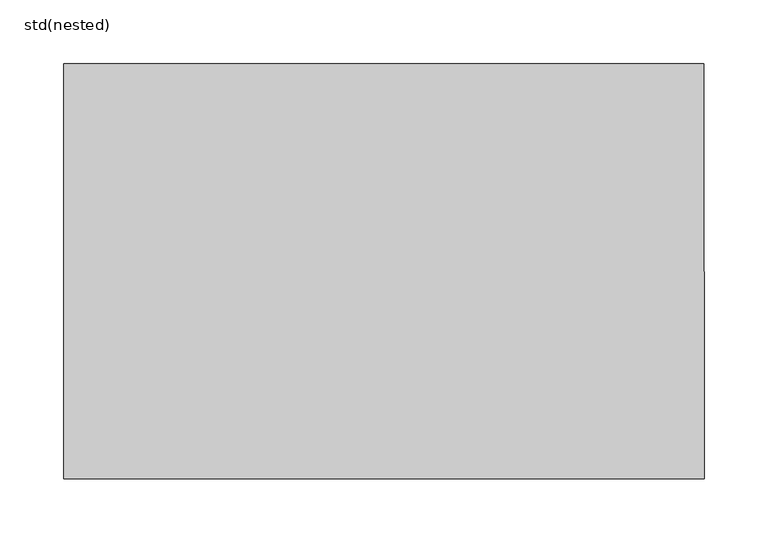
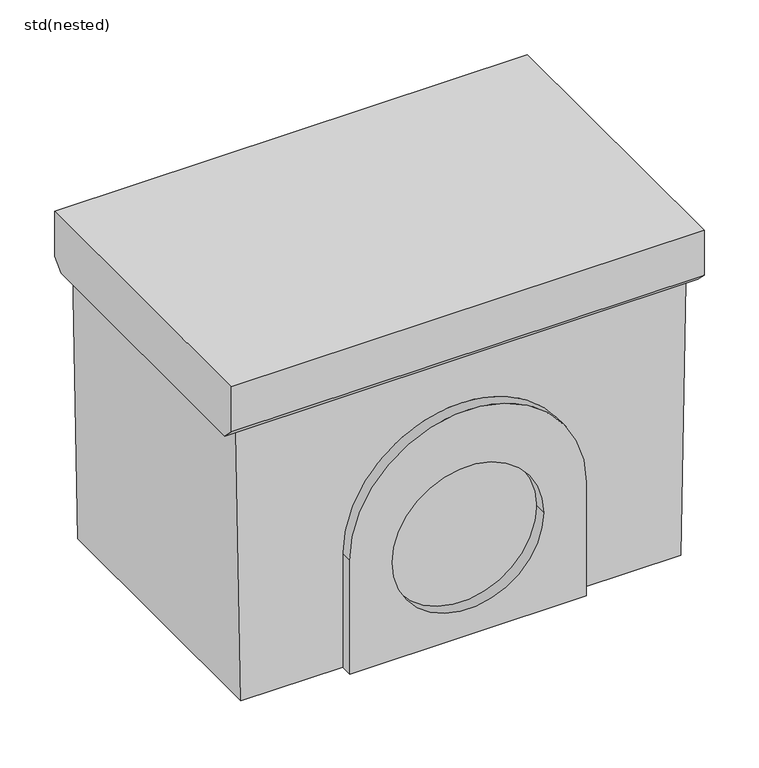
"""IFC4 building model written with IfcOpenShell, lengths in millimetres: sanitary terminal geometry, std(nested)."""

from ifc_helpers import new_model, si_unit, frame, origin, place, context, project, spatial, polyline, circle_curve, source, transform, mapped, element, save
from ifc_brep_helpers import plane_surface, cylinder_surface, revolved_surface, advanced_brep


def std_nested_320b0179(model_context):
    return source(origin(), model_context, "Body", "AdvancedBrep", [
        advanced_brep(
        [(-752.8529257, -550.4923488, -50.1672382), (-752.8529257, -550.4923488, 0.0), (-252.8529257, -550.4923488, 0.0), (-252.8529257, -550.4923488, -50.1672382), (-252.8529257, -874.4923423, -50.1672382), (-252.8529257, -874.4923423, 0.0), (-752.8529257, -874.4923423, 0.0), (-752.8529257, -874.4923423, -50.1672382), (-752.8529257, -562.5010239, -62.1759133), (-752.8529257, -862.5010239, -62.1759133), (-252.8529257, -862.5010239, -62.1759133), (-252.8529257, -562.5010239, -62.1759133), (-264.8558235, -562.5010239, -62.1759133), (-740.8500279, -562.4923433, -62.1672327), (-740.8500279, -861.6064056, -62.1759133), (-264.8558235, -861.6064056, -62.1759133), (-735.5588746, -562.4923433, -365.0), (-270.5588746, -562.4923433, -365.0), (-270.5588746, -861.6064056, -365.0), (-735.5588746, -861.6064056, -365.0), (-627.8529257, -861.6064056, -365.0), (-627.8529257, -861.6064056, -238.0000055), (-377.8529257, -861.6064056, -238.0000055), (-377.8529257, -861.6064056, -365.0), (-627.8529257, -874.4923423, -365.0), (-377.8529257, -874.4923423, -365.0), (-377.8529257, -874.4923423, -238.0000055), (-627.8529257, -874.4923423, -238.0000055), (-422.8529257, -874.4923423, -256.0), (-582.8529257, -874.4923423, -256.0), (-422.8529257, -861.6064056, -256.0), (-582.8529257, -861.6064056, -256.0)],
        [
            (0, 1),
            (1, 2),
            (2, 3),
            (3, 0),
            (4, 5),
            (5, 6),
            (6, 7),
            (7, 4),
            (0, 8),
            (8, 9),
            (9, 7),
            (6, 1),
            (5, 2),
            (4, 10),
            (10, 11),
            (11, 3),
            (11, 12),
            (12, 13),
            (13, 8),
            (9, 10),
            (13, 14),
            (14, 15),
            (15, 12),
            (16, 13),
            (12, 17),
            (17, 16),
            (18, 15),
            (14, 19),
            (19, 20),
            (20, 21),
            (21, 22, circle_curve(frame((-502.8529257, -861.6064056, -238.0000055), z_axis=(0.0, 1.0, 0.0), x_axis=(-1.0, 0.0, 0.0)), 125.0)),
            (22, 23),
            (23, 18),
            (16, 19),
            (18, 17),
            (24, 25),
            (25, 26),
            (26, 27, circle_curve(frame((-502.8529257, -874.4923423, -238.0000055), z_axis=(0.0, -1.0, 0.0), x_axis=(-1.0, 0.0, 0.0)), 125.0)),
            (27, 24),
            (28, 29, circle_curve(frame((-502.8529257, -874.4923423, -256.0), z_axis=(0.0, 1.0, 0.0), x_axis=(-1.0, 0.0, 0.0)), 80.0)),
            (29, 28, circle_curve(frame((-502.8529257, -874.4923423, -256.0), z_axis=(0.0, 1.0, 0.0), x_axis=(-1.0, 0.0, 0.0)), 80.0)),
            (27, 21),
            (20, 24),
            (26, 22),
            (25, 23),
            (30, 31, circle_curve(frame((-502.8529257, -861.6064056, -256.0), z_axis=(0.0, -1.0, 0.0), x_axis=(-1.0, 0.0, 0.0)), 80.0)),
            (31, 30, circle_curve(frame((-502.8529257, -861.6064056, -256.0), z_axis=(0.0, -1.0, 0.0), x_axis=(-1.0, 0.0, 0.0)), 80.0)),
            (31, 29),
            (28, 30),
        ],
        [
            plane_surface(frame((-752.8529257, -550.4923488, 0.0), z_axis=(0.0, 1.0, 0.0), x_axis=(0.0, 0.0, 1.0))),
            plane_surface(frame((-752.8529257, -874.4923423, 0.0), z_axis=(0.0, -1.0, 0.0), x_axis=(0.0, 0.0, -1.0))),
            plane_surface(frame((-752.8529257, -550.4923488, -50.1672382), z_axis=(-1.0, 0.0, 0.0), x_axis=(0.0, -1.0, 0.0))),
            plane_surface(frame((-752.8529257, -550.4923488, 0.0), z_axis=(0.0, 0.0, 1.0), x_axis=(0.0, -1.0, 0.0))),
            plane_surface(frame((-252.8529257, -550.4923488, 0.0), z_axis=(1.0, 0.0, 0.0), x_axis=(0.0, -1.0, 0.0))),
            plane_surface(frame((-252.8529257, -562.5010239, -62.1759133), z_axis=(0.0, 0.7071067811865468, -0.7071067811865482), x_axis=(-1.0, 0.0, 0.0))),
            plane_surface(frame((-252.8529257, -874.5096991, -50.1672382), z_axis=(0.0, -0.7071067811865492, -0.7071067811865458), x_axis=(-1.0, 0.0, 0.0))),
            plane_surface(frame((-252.8529257, -862.5010239, -62.1759133), z_axis=(0.0, 0.0, -1.0), x_axis=(-1.0, 0.0, 0.0))),
            plane_surface(frame((-740.8500279, -562.4923433, -62.1759133), z_axis=(0.0, 1.0, 0.0), x_axis=(-0.01747002978698833, 0.0, 0.9998473873843157))),
            plane_surface(frame((-740.8500279, -861.6064056, -62.1759133), z_axis=(0.0, -1.0, 0.0), x_axis=(0.01747002978698833, 0.0, -0.9998473873843157))),
            plane_surface(frame((-735.5588746, -562.4923433, -365.0), z_axis=(-0.9998473873843157, 0.0, -0.01747002978698833), x_axis=(0.0, -1.0, 0.0))),
            plane_surface(frame((-264.8558235, -562.4923433, -62.1759133), z_axis=(0.9998227083838137, 0.0, -0.01882954593333331), x_axis=(0.0, -1.0, 0.0))),
            plane_surface(frame((-627.8529257, -874.4923423, -238.0000055), z_axis=(0.0, -1.0, 0.0), x_axis=(0.0, 0.0, -1.0))),
            plane_surface(frame((-627.8529257, -858.426335, -365.0), z_axis=(-1.0, 0.0, 0.0), x_axis=(0.0, -1.0, 0.0))),
            cylinder_surface(frame((-502.8529257, -874.4923423, -238.0000055), z_axis=(0.0, 1.0, 0.0), x_axis=(-1.0, 0.0, 0.0)), 125.0),
            plane_surface(frame((-377.8529257, -858.426335, -238.0000055), z_axis=(1.0, 0.0, 0.0), x_axis=(0.0, -1.0, 0.0))),
            plane_surface(frame((-377.8529257, -858.426335, -365.0), z_axis=(0.0, 0.0, -1.0), x_axis=(0.0, -1.0, 0.0))),
            plane_surface(frame((-582.8529257, -861.6064056, -256.0), z_axis=(0.0, -1.0, 0.0), x_axis=(0.0, 0.0, 1.0))),
            revolved_surface(polyline([(-582.8529257, -861.6064056, -256.0), (-582.8529257, -874.4923423, -256.0)]), (-502.8529257, -874.4923423, -256.0), (0.0, 1.0, 0.0)),
        ],
        [
            (0, [[1, 2, 3, 4]]),
            (1, [[5, 6, 7, 8]]),
            (2, [[-1, 9, 10, 11, -7, 12]]),
            (3, [[-2, -12, -6, 13]]),
            (4, [[-3, -13, -5, 14, 15, 16]]),
            (5, [[-16, 17, 18, 19, -9, -4]]),
            (6, [[-14, -8, -11, 20]]),
            (7, [[-15, -20, -10, -19, 21, 22, 23, -17]]),
            (8, [[24, -18, 25, 26]]),
            (9, [[27, -22, 28, 29, 30, 31, 32, 33]]),
            (10, [[-24, 34, -28, -21]]),
            (11, [[-25, -23, -27, 35]]),
            (12, [[36, 37, 38, 39], [40, 41]]),
            (13, [[-39, 42, -30, 43]]),
            (14, [[-38, 44, -31, -42]]),
            (15, [[-37, 45, -32, -44]]),
            (16, [[-36, -43, -29, -34, -26, -35, -33, -45]]),
            (17, [[46, 47]]),
            (18, [[-47, 48, -40, 49]]),
            (18, [[-46, -49, -41, -48]]),
        ],
    ),
    ])


if __name__ == "__main__":
    model = new_model("IFC4")
    model_context = context("Model", 3, world=origin())
    ifc_project = project(units=[si_unit("LENGTHUNIT", "METRE", prefix="MILLI")], contexts=[model_context])
    site = spatial("IfcSite", under=ifc_project)
    building = spatial("IfcBuilding", under=site)
    placement = place(None, origin())
    std_nested_shape = std_nested_320b0179(model_context)
    element("IfcSanitaryTerminal", 1, ObjectType="std(nested)", at=placement, inside=building, context=model_context, shape_type="MappedRepresentation", body=[
        mapped(std_nested_shape, transform((0.0, 0.0, 0.0), x_axis=(1.0, 0.0, 0.0), y_axis=(0.0, 1.0, 0.0), z_axis=(0.0, 0.0, 1.0))),
    ])
    save(model, "model.ifc")
